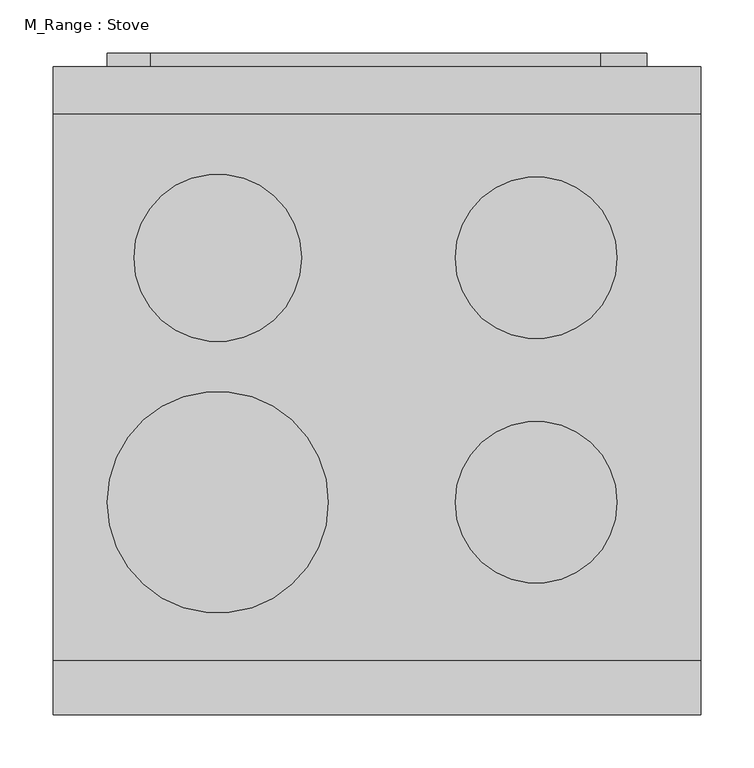
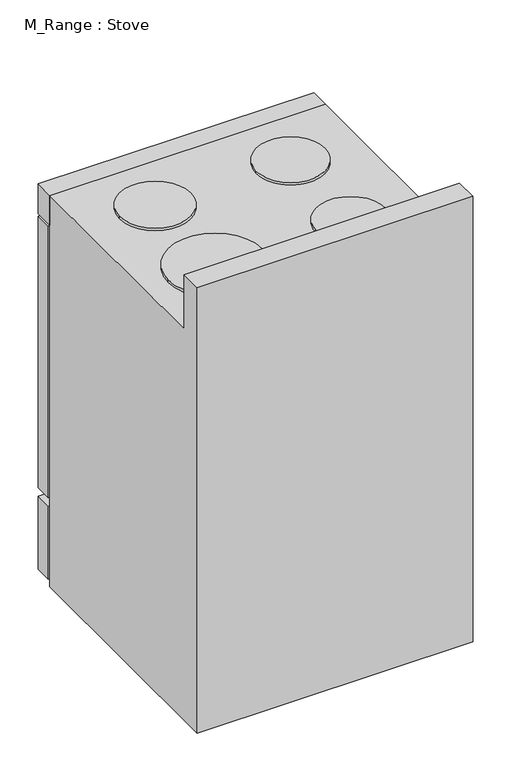
"""IFC4 building model written with IfcOpenShell, lengths in millimetres: proxy geometry, M_Range : Stove."""

from ifc_helpers import new_model, si_unit, point, frame, frame_2d, origin, place, context, project, spatial, polyline, circle_curve, trimmed, segment, composite_curve, outline, extrude, faceted_brep, source, transform, mapped, element, save


def m_range_stove_18612a0f(model_context):
    return source(origin(), model_context, "Body", "SolidModel", [
        faceted_brep([(610.0, -610.0, 1041.4), (610.0, -610.0, 0.0), (610.0, -45.0, 0.0), (610.0, -45.0, 914.4), (610.0, -559.2, 914.4), (610.0, -559.2, 1041.4), (0.0, -559.2, 914.4), (0.0, -45.0, 914.4), (0.0, -45.0, 0.0), (0.0, -610.0, 0.0), (0.0, -610.0, 1041.4), (0.0, -559.2, 1041.4), (584.6, -45.0, 889.2220355), (25.4, -45.0, 889.2220355), (25.4, -45.0, 254.0), (584.6, -45.0, 254.0), (584.6, -584.6, 889.2220355), (25.4, -584.6, 889.2220355), (25.4, -584.6, 254.0), (584.6, -584.6, 254.0)], [[[0, 1, 2, 3, 4, 5]], [[6, 7, 8, 9, 10, 11]], [[10, 9, 1, 0]], [[5, 11, 10, 0]], [[4, 6, 11, 5]], [[3, 2, 8, 7], [12, 13, 14, 15]], [[9, 8, 2, 1]], [[7, 6, 4, 3]], [[12, 16, 17, 13]], [[13, 17, 18, 14]], [[14, 18, 19, 15]], [[15, 19, 16, 12]], [[16, 19, 18, 17]]]),
        extrude(outline(polyline([(515.325, 12.7), (515.325, 0.0), (91.687309, 0.0), (91.687309, 12.7), (515.325, 12.7)])), frame((0.0, 0.0, 791.2768639), z_axis=(0.0, 0.0, 1.0), x_axis=(1.0, 0.0, 0.0)), (0.0, 0.0, 1.0), 19.05),
        extrude(outline(polyline([(531.2, -12.7), (531.2, -19.05), (76.2, -19.05), (76.2, -12.7), (531.2, -12.7)])), frame((0.0, 0.0, 330.2), z_axis=(0.0, 0.0, 1.0), x_axis=(1.0, 0.0, 0.0)), (0.0, 0.0, 1.0), 406.4),
        extrude(outline(polyline([(610.0, 0.0), (610.0, -45.0), (0.0, -45.0), (0.0, 0.0), (610.0, 0.0)])), frame((0.0, 0.0, 844.7720355), z_axis=(0.0, 0.0, 1.0), x_axis=(1.0, 0.0, 0.0)), (0.0, 0.0, 1.0), 69.6279645),
        extrude(outline(polyline([(762.0, 559.2), (762.0, 50.8), (304.8, 50.8), (304.8, 559.2), (762.0, 559.2)]), holes=[polyline([(736.6, 533.8), (330.2, 533.8), (330.2, 76.2), (736.6, 76.2), (736.6, 533.8)])]), frame((0.0, -25.4, 0.0), z_axis=(0.0, 1.0, 0.0), x_axis=(0.0, 0.0, 1.0)), (0.0, 0.0, 1.0), 38.1),
        extrude(outline(composite_curve([segment(trimmed(circle_curve(frame_2d((155.0, -410.0)), 104.2), [point((50.8, -410.0))], [point((259.2, -410.0))], False, "CARTESIAN"), True, "CONTINUOUS"), segment(trimmed(circle_curve(frame_2d((155.0, -410.0)), 104.2), [point((259.2, -410.0))], [point((50.8, -410.0))], False, "CARTESIAN"), True, "CONTINUOUS")], self_intersect=False)), frame((0.0, 0.0, 914.4), z_axis=(0.0, 0.0, 1.0), x_axis=(1.0, 0.0, 0.0)), (0.0, 0.0, 1.0), 6.35),
        extrude(outline(composite_curve([segment(trimmed(circle_curve(frame_2d((455.0, -410.0)), 76.2), [point((378.8, -410.0))], [point((531.2, -410.0))], False, "CARTESIAN"), True, "CONTINUOUS"), segment(trimmed(circle_curve(frame_2d((455.0, -410.0)), 76.2), [point((531.2, -410.0))], [point((378.8, -410.0))], False, "CARTESIAN"), True, "CONTINUOUS")], self_intersect=False)), frame((0.0, 0.0, 914.4), z_axis=(0.0, 0.0, 1.0), x_axis=(1.0, 0.0, 0.0)), (0.0, 0.0, 1.0), 6.35),
        extrude(outline(composite_curve([segment(trimmed(circle_curve(frame_2d((455.0, -180.0)), 76.2), [point((378.8, -180.0))], [point((531.2, -180.0))], False, "CARTESIAN"), True, "CONTINUOUS"), segment(trimmed(circle_curve(frame_2d((455.0, -180.0)), 76.2), [point((531.2, -180.0))], [point((378.8, -180.0))], False, "CARTESIAN"), True, "CONTINUOUS")], self_intersect=False)), frame((0.0, 0.0, 914.4), z_axis=(0.0, 0.0, 1.0), x_axis=(1.0, 0.0, 0.0)), (0.0, 0.0, 1.0), 6.35),
        extrude(outline(composite_curve([segment(trimmed(circle_curve(frame_2d((155.0, -180.0)), 78.8), [point((76.2, -180.0))], [point((233.8, -180.0))], False, "CARTESIAN"), True, "CONTINUOUS"), segment(trimmed(circle_curve(frame_2d((155.0, -180.0)), 78.8), [point((233.8, -180.0))], [point((76.2, -180.0))], False, "CARTESIAN"), True, "CONTINUOUS")], self_intersect=False)), frame((0.0, 0.0, 914.4), z_axis=(0.0, 0.0, 1.0), x_axis=(1.0, 0.0, 0.0)), (0.0, 0.0, 1.0), 6.35),
        extrude(outline(polyline([(838.4220355, 610.0), (838.4220355, 0.0), (203.2, 0.0), (203.2, 610.0), (838.4220355, 610.0)]), holes=[polyline([(762.0, 559.2), (304.8, 559.2), (304.8, 50.8), (762.0, 50.8), (762.0, 559.2)])]), frame((0.0, -38.1, 0.0), z_axis=(0.0, 1.0, 0.0), x_axis=(0.0, 0.0, 1.0)), (0.0, 0.0, 1.0), 38.1),
        extrude(outline(polyline([(610.0, 0.0), (610.0, -38.1), (0.0, -38.1), (0.0, 0.0), (610.0, 0.0)])), frame((0.0, 0.0, 12.7), z_axis=(0.0, 0.0, 1.0), x_axis=(1.0, 0.0, 0.0)), (0.0, 0.0, 1.0), 171.45),
    ])


if __name__ == "__main__":
    model = new_model("IFC4")
    model_context = context("Model", 3, world=origin())
    ifc_project = project(units=[si_unit("LENGTHUNIT", "METRE", prefix="MILLI")], contexts=[model_context])
    site = spatial("IfcSite", under=ifc_project)
    building = spatial("IfcBuilding", under=site)
    placement = place(None, origin())
    m_range_stove_shape = m_range_stove_18612a0f(model_context)
    element("IfcBuildingElementProxy", 1, Name="M_Range : Stove", ObjectType="M_Range : Stove", at=placement, inside=building, context=model_context, shape_type="MappedRepresentation", body=[
        mapped(m_range_stove_shape, transform((0.0, 0.0, 0.0), x_axis=(1.0, 0.0, 0.0), y_axis=(0.0, 1.0, 0.0), z_axis=(0.0, 0.0, 1.0))),
    ])
    save(model, "model.ifc")
